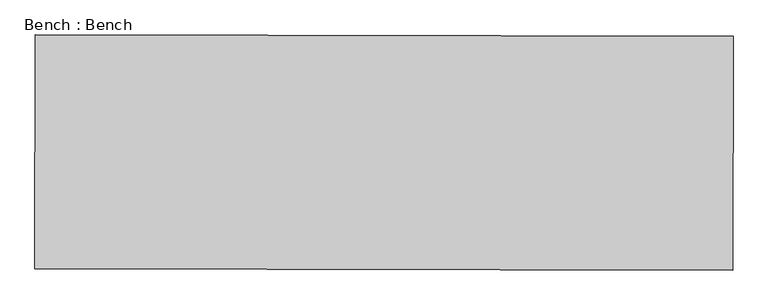
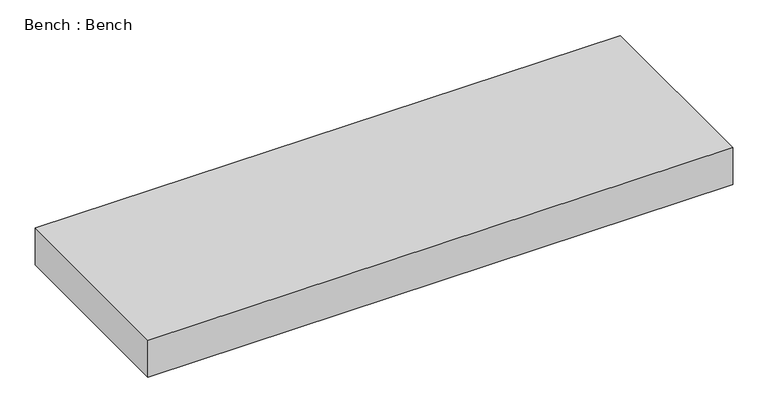
"""IFC4 building model written with IfcOpenShell, lengths in millimetres: geographic element geometry, Bench : Bench."""

from ifc_helpers import new_model, si_unit, frame, origin, place, context, project, spatial, polyline, outline, extrude, source, transform, mapped, element, save


def bench_bench_dbe79b98(model_context):
    return source(origin(), model_context, "Body", "SweptSolid", [
        extrude(outline(polyline([(227708.4849929, 155989.6888737), (229224.8938545, 155986.7119988), (229223.8965974, 155478.7129776), (227707.4877358, 155481.6898525), (227708.4849929, 155989.6888737)])), frame((0.0, 0.0, 448.5592564), z_axis=(0.0, 0.0, 1.0), x_axis=(1.0, 0.0, 0.0)), (0.0, 0.0, 1.0), 101.6),
    ])


if __name__ == "__main__":
    model = new_model("IFC4")
    model_context = context("Model", 3, world=origin())
    ifc_project = project(units=[si_unit("LENGTHUNIT", "METRE", prefix="MILLI")], contexts=[model_context])
    site = spatial("IfcSite", under=ifc_project)
    building = spatial("IfcBuilding", under=site)
    placement = place(None, origin())
    bench_bench_shape = bench_bench_dbe79b98(model_context)
    element("IfcGeographicElement", 1, ObjectType="Bench : Bench", at=placement, inside=building, context=model_context, shape_type="MappedRepresentation", body=[
        mapped(bench_bench_shape, transform((0.0, 0.0, 0.0), x_axis=(1.0, 0.0, 0.0), y_axis=(0.0, 1.0, 0.0), z_axis=(0.0, 0.0, 1.0))),
    ])
    save(model, "model.ifc")
